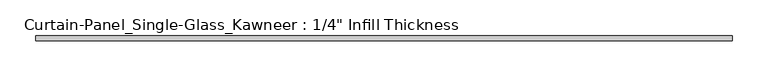
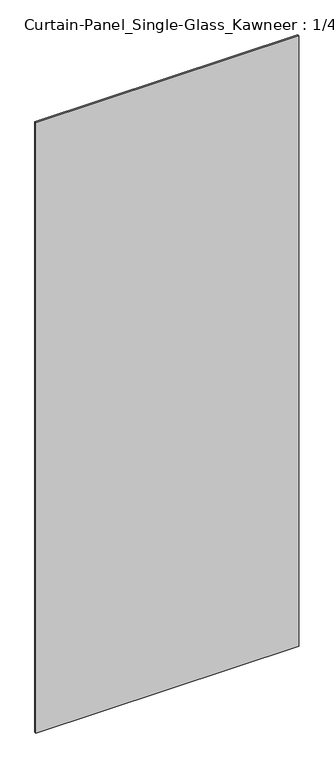
"""IFC4 building model written with IfcOpenShell, lengths in millimetres: plate geometry."""

from ifc_helpers import new_model, si_unit, origin, origin_with_axes, place, context, project, spatial, polyline, outline, extrude, source, transform, mapped, element, save


def plate_d568625d(model_context):
    return source(origin(), model_context, "Body", "SweptSolid", [
        extrude(outline(polyline([(483.87, -3.175), (-483.87, -3.175), (-483.87, 3.175), (483.87, 3.175), (483.87, -3.175)])), origin_with_axes(), (0.0, 0.0, 1.0), 2374.9),
    ])


if __name__ == "__main__":
    model = new_model("IFC4")
    model_context = context("Model", 3, world=origin())
    ifc_project = project(units=[si_unit("LENGTHUNIT", "METRE", prefix="MILLI")], contexts=[model_context])
    site = spatial("IfcSite", under=ifc_project)
    building = spatial("IfcBuilding", under=site)
    placement = place(None, origin())
    plate_shape = plate_d568625d(model_context)
    element("IfcPlate", 1, ObjectType="Curtain-Panel_Single-Glass_Kawneer : 1/4\" Infill Thickness", at=placement, inside=building, context=model_context, shape_type="MappedRepresentation", body=[
        mapped(plate_shape, transform((0.0, 0.0, 0.0), x_axis=(1.0, 0.0, 0.0), y_axis=(0.0, 1.0, 0.0), z_axis=(0.0, 0.0, 1.0))),
    ])
    save(model, "model.ifc")
